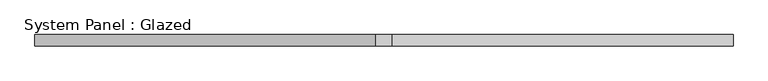
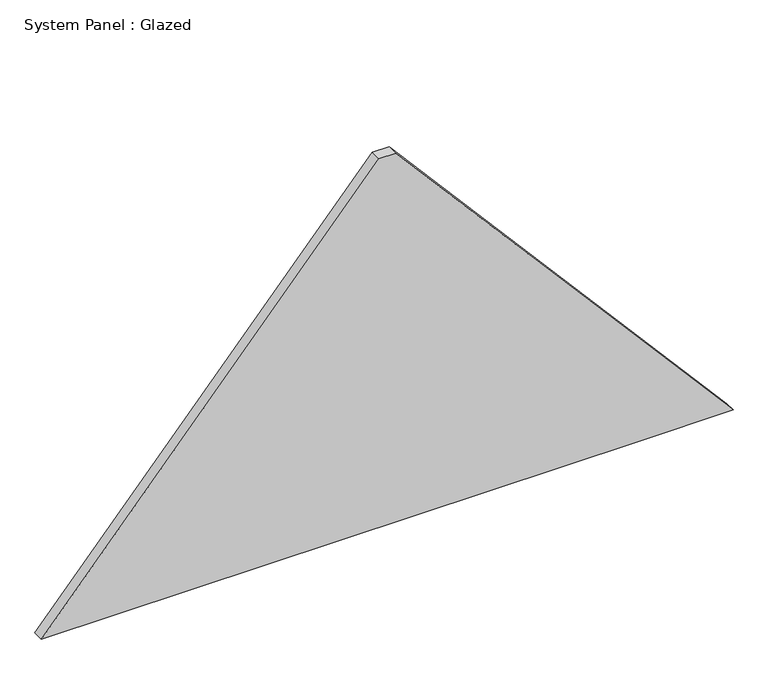
"""IFC4 building model written with IfcOpenShell, lengths in millimetres: plate geometry, System Panel : Glazed."""

from ifc_helpers import new_model, si_unit, frame, origin, place, context, project, spatial, polyline, outline, extrude, source, transform, mapped, element, save


def system_panel_glazed_6f0f6fa6(model_context):
    return source(origin(), model_context, "Body", "SweptSolid", [
        extrude(outline(polyline([(0.0, -763.4240652), (0.0, 552.7814558), (0.0, 763.4240652), (860.2519011, 18.4240652), (860.2519011, -18.4240652), (0.0, -763.4240652)])), frame((0.0, 24.5, 0.0), z_axis=(0.0, 1.0, 0.0), x_axis=(0.0, 0.0, 1.0)), (0.0, 0.0, 1.0), 25.0),
    ])


if __name__ == "__main__":
    model = new_model("IFC4")
    model_context = context("Model", 3, world=origin())
    ifc_project = project(units=[si_unit("LENGTHUNIT", "METRE", prefix="MILLI")], contexts=[model_context])
    site = spatial("IfcSite", under=ifc_project)
    building = spatial("IfcBuilding", under=site)
    placement = place(None, origin())
    system_panel_glazed_shape = system_panel_glazed_6f0f6fa6(model_context)
    element("IfcPlate", 1, ObjectType="System Panel : Glazed", at=placement, inside=building, context=model_context, shape_type="MappedRepresentation", body=[
        mapped(system_panel_glazed_shape, transform((0.0, 0.0, 0.0), x_axis=(1.0, 0.0, 0.0), y_axis=(0.0, 1.0, 0.0), z_axis=(0.0, 0.0, 1.0))),
    ])
    save(model, "model.ifc")
